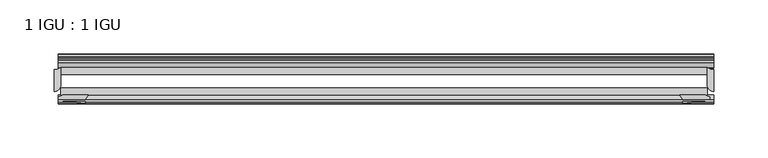
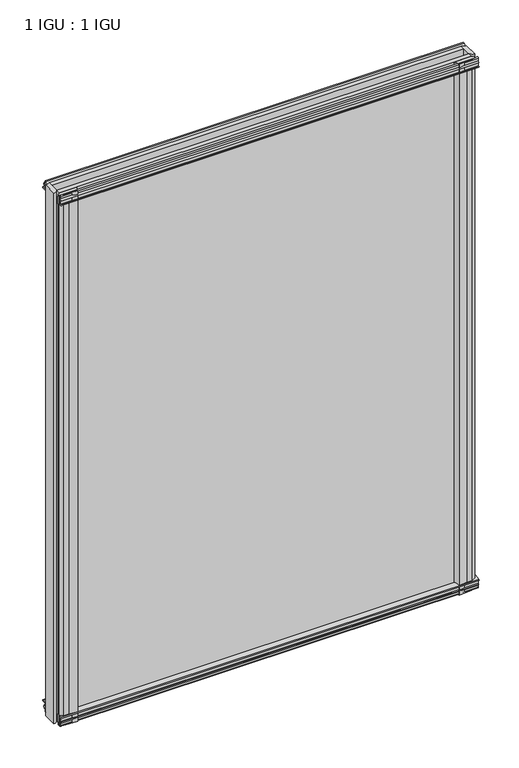
"""IFC4 building model written with IfcOpenShell, lengths in millimetres: plate geometry, 1 IGU : 1 IGU."""

from ifc_helpers import new_model, si_unit, point, frame, frame_2d, origin, place, context, project, spatial, polyline, circle_curve, trimmed, segment, composite_curve, outline, extrude, source, transform, mapped, element, save


def plate_1_igu_1_igu_2e86177f(model_context):
    return source(origin(), model_context, "Body", "SweptSolid", [
        extrude(outline(composite_curve([segment(polyline([(-57.0900403, 1.731044), (-50.00625, 3.0983599), (-50.00625, -7.92383), (-54.1882244, -12.1058044)]), True, "CONTINUOUS"), segment(trimmed(circle_curve(frame_2d((-55.08625, -11.2077788)), 1.27), [point((-54.1882244, -12.1058044))], [point((-56.35625, -11.2077788))], False, "CARTESIAN"), True, "CONTINUOUS"), segment(polyline([(-56.35625, -11.2077788), (-56.35625, -8.0327788), (-57.835546, -5.4488186), (-56.35625, -5.1879788), (-56.35625, 0.2222212), (-57.65913, 0.0383748)]), True, "CONTINUOUS"), segment(trimmed(circle_curve(frame_2d((-56.9150839, 0.7302212)), 1.016), [point((-57.65913, 0.0383748))], [point((-57.0900403, 1.731044))], False, "CARTESIAN"), True, "CONTINUOUS")], self_intersect=False)), frame((-300.7614, 0.0, 0.0), z_axis=(1.0, 0.0, 0.0), x_axis=(0.0, 1.0, 0.0)), (0.0, 0.0, 1.0), 605.5614),
        extrude(outline(composite_curve([segment(polyline([(-24.60625, 2.5763839), (-12.8423053, 1.6478499)]), True, "CONTINUOUS"), segment(trimmed(circle_curve(frame_2d((-12.92225, 0.635)), 1.016), [point((-12.8423053, 1.6478499))], [point((-12.1291353, 0.0))], False, "CARTESIAN"), True, "CONTINUOUS"), segment(polyline([(-12.1291353, 0.0), (-18.25625, 0.0), (-18.25625, -4.953), (-15.9568457, -5.5691235), (-16.3325195, -4.1670901), (-15.4738114, -3.937), (-14.82725, -6.35), (-15.4738114, -8.763), (-16.3325195, -8.5329099), (-15.9568457, -7.1308765), (-18.25625, -7.747), (-18.25625, -12.7), (-20.28825, -12.7), (-24.60625, -9.1036931), (-24.60625, 2.5763839)]), True, "CONTINUOUS")], self_intersect=False)), frame((-300.7614, 0.0, 0.0), z_axis=(1.0, 0.0, 0.0), x_axis=(0.0, 1.0, 0.0)), (0.0, 0.0, 1.0), 605.5614),
        extrude(outline(composite_curve([segment(polyline([(-20.28825, 800.1), (-18.25625, 800.1), (-18.25625, 795.147), (-15.9568457, 794.5308765), (-16.3325195, 795.9329099), (-15.4738114, 796.163), (-14.82725, 793.75), (-15.4738114, 791.337), (-16.3325195, 791.5670901), (-15.9568457, 792.9691235), (-18.25625, 792.353), (-18.25625, 787.4), (-12.1291353, 787.4)]), True, "CONTINUOUS"), segment(trimmed(circle_curve(frame_2d((-12.92225, 786.765)), 1.016), [point((-12.1291353, 787.4))], [point((-12.8423053, 785.7521501))], False, "CARTESIAN"), True, "CONTINUOUS"), segment(polyline([(-12.8423053, 785.7521501), (-24.60625, 784.8236161), (-24.60625, 796.5036931), (-20.28825, 800.1)]), True, "CONTINUOUS")], self_intersect=False)), frame((-300.7614, 0.0, 0.0), z_axis=(1.0, 0.0, 0.0), x_axis=(0.0, 1.0, 0.0)), (0.0, 0.0, 1.0), 605.5614),
        extrude(outline(composite_curve([segment(trimmed(circle_curve(frame_2d((-56.9150839, 786.6697788)), 1.016), [point((-57.0900403, 785.668956))], [point((-57.65913, 787.3616252))], False, "CARTESIAN"), True, "CONTINUOUS"), segment(polyline([(-57.65913, 787.3616252), (-56.35625, 787.1777788), (-56.35625, 792.5879788), (-57.835546, 792.8488186), (-56.35625, 795.4327788), (-56.35625, 798.6077788)]), True, "CONTINUOUS"), segment(trimmed(circle_curve(frame_2d((-55.08625, 798.6077788)), 1.27), [point((-56.35625, 798.6077788))], [point((-54.1882244, 799.5058044))], False, "CARTESIAN"), True, "CONTINUOUS"), segment(polyline([(-54.1882244, 799.5058044), (-50.00625, 795.32383), (-50.00625, 784.3016401), (-57.0900403, 785.668956)]), True, "CONTINUOUS")], self_intersect=False)), frame((-300.7614, 0.0, 0.0), z_axis=(1.0, 0.0, 0.0), x_axis=(0.0, 1.0, 0.0)), (0.0, 0.0, 1.0), 605.5614),
        extrude(outline(composite_curve([segment(polyline([(300.7614, -54.14645), (295.5386192, -56.35625), (287.655, -56.35625), (276.225, -57.5575914)]), True, "CONTINUOUS"), segment(trimmed(circle_curve(frame_2d((266.2774732, -57.0773768)), 9.9591112), [point((276.225, -57.5575914))], [point((273.2905368, -50.00625))], True, "CARTESIAN"), True, "CONTINUOUS"), segment(polyline([(273.2905368, -50.00625), (296.9793863, -50.00625), (300.7614, -51.60645), (300.7614, -54.14645)]), True, "CONTINUOUS")], self_intersect=False)), frame((0.0, 0.0, -12.7), z_axis=(0.0, 0.0, 1.0), x_axis=(1.0, 0.0, 0.0)), (0.0, 0.0, 1.0), 812.8),
        extrude(outline(composite_curve([segment(trimmed(circle_curve(frame_2d((304.8, -40.48125)), 6.35), [point((304.8, -46.83125))], [point((298.45, -40.48125))], False, "CARTESIAN"), True, "CONTINUOUS"), segment(polyline([(298.45, -40.48125), (298.45, -24.60625)]), True, "CONTINUOUS"), segment(trimmed(circle_curve(frame_2d((304.8, -14.2606186)), 12.1389698), [point((298.45, -24.60625))], [point((304.8, -26.3995885))], True, "CARTESIAN"), True, "CONTINUOUS"), segment(polyline([(304.8, -26.3995885), (304.8, -46.83125)]), True, "CONTINUOUS")], self_intersect=False)), frame((0.0, 0.0, -12.7), z_axis=(0.0, 0.0, 1.0), x_axis=(1.0, 0.0, 0.0)), (0.0, 0.0, 1.0), 812.8),
        extrude(outline(composite_curve([segment(trimmed(circle_curve(frame_2d((-266.2774732, -57.0773768)), 9.9591112), [point((-273.2905368, -50.00625))], [point((-276.225, -57.5575914))], True, "CARTESIAN"), True, "CONTINUOUS"), segment(polyline([(-276.225, -57.5575914), (-287.655, -56.35625), (-295.5386192, -56.35625), (-300.7614, -54.14645), (-300.7614, -51.60645), (-296.9793863, -50.00625), (-273.2905368, -50.00625)]), True, "CONTINUOUS")], self_intersect=False)), frame((0.0, 0.0, -12.7), z_axis=(0.0, 0.0, 1.0), x_axis=(1.0, 0.0, 0.0)), (0.0, 0.0, 1.0), 812.8),
        extrude(outline(composite_curve([segment(trimmed(circle_curve(frame_2d((-304.8, -14.2606186)), 12.1389698), [point((-304.8, -26.3995885))], [point((-298.45, -24.60625))], True, "CARTESIAN"), True, "CONTINUOUS"), segment(polyline([(-298.45, -24.60625), (-298.45, -40.48125)]), True, "CONTINUOUS"), segment(trimmed(circle_curve(frame_2d((-304.8, -40.48125)), 6.35), [point((-298.45, -40.48125))], [point((-304.8, -46.83125))], False, "CARTESIAN"), True, "CONTINUOUS"), segment(polyline([(-304.8, -46.83125), (-304.8, -26.3995885)]), True, "CONTINUOUS")], self_intersect=False)), frame((0.0, 0.0, -12.7), z_axis=(0.0, 0.0, 1.0), x_axis=(1.0, 0.0, 0.0)), (0.0, 0.0, 1.0), 812.8),
        extrude(outline(polyline([(-298.45, -24.60625), (298.45, -24.60625), (298.45, -30.95625), (-298.45, -30.95625), (-298.45, -24.60625)])), frame((0.0, 0.0, -12.7), z_axis=(0.0, 0.0, 1.0), x_axis=(1.0, 0.0, 0.0)), (0.0, 0.0, 1.0), 812.8),
        extrude(outline(polyline([(298.45, -43.65625), (298.45, -50.00625), (-298.45, -50.00625), (-298.45, -43.65625), (298.45, -43.65625)])), frame((0.0, 0.0, -12.7), z_axis=(0.0, 0.0, 1.0), x_axis=(1.0, 0.0, 0.0)), (0.0, 0.0, 1.0), 812.8),
    ])


if __name__ == "__main__":
    model = new_model("IFC4")
    model_context = context("Model", 3, world=origin())
    ifc_project = project(units=[si_unit("LENGTHUNIT", "METRE", prefix="MILLI")], contexts=[model_context])
    site = spatial("IfcSite", under=ifc_project)
    building = spatial("IfcBuilding", under=site)
    placement = place(None, origin())
    plate_1_igu_1_igu_shape = plate_1_igu_1_igu_2e86177f(model_context)
    element("IfcPlate", 1, ObjectType="1 IGU : 1 IGU", at=placement, inside=building, context=model_context, shape_type="MappedRepresentation", body=[
        mapped(plate_1_igu_1_igu_shape, transform((0.0, 0.0, 0.0), x_axis=(1.0, 0.0, 0.0), y_axis=(0.0, 1.0, 0.0), z_axis=(0.0, 0.0, 1.0))),
    ])
    save(model, "model.ifc")
